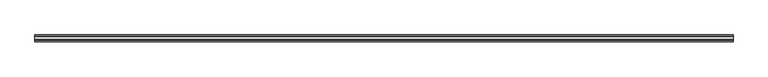
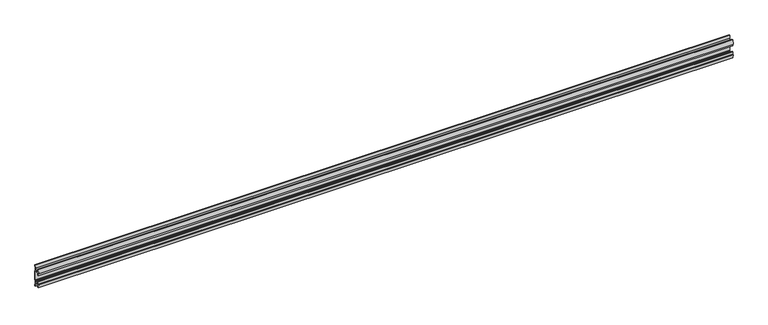
"""IFC4 building model written with IfcOpenShell, lengths in millimetres: furniture geometry."""

from ifc_helpers import new_model, si_unit, point, frame, frame_2d, origin, place, context, project, spatial, polyline, circle_curve, trimmed, segment, composite_curve, outline, extrude, source, transform, mapped, element, save


def furniture_3d561006(model_context):
    return source(origin(), model_context, "Body", "SweptSolid", [
        extrude(outline(composite_curve([segment(polyline([(11.858323, 1787.0845986), (10.7166987, 1781.1251626)]), True, "CONTINUOUS"), segment(trimmed(circle_curve(frame_2d((88.1501042, 1766.291568)), 78.8414093), [point((10.7166987, 1781.1251626))], [point((9.4546262, 1771.0863112))], True, "CARTESIAN"), True, "CONTINUOUS"), segment(polyline([(9.4546262, 1771.0863112), (11.4773198, 1769.0636177), (11.4773198, 1736.1363823), (9.4546262, 1734.1136888)]), True, "CONTINUOUS"), segment(trimmed(circle_curve(frame_2d((88.1501042, 1738.908432)), 78.8414093), [point((9.4546262, 1734.1136888))], [point((10.7166987, 1724.0748374))], True, "CARTESIAN"), True, "CONTINUOUS"), segment(polyline([(10.7166987, 1724.0748374), (11.858323, 1718.1154014), (11.858323, 1714.5006449), (9.3183016, 1714.5006449), (7.5671861, 1723.641709), (6.9977776, 1730.3354675), (-5.9218281, 1730.3354675), (-5.9218281, 1719.7705449), (-8.4618484, 1719.7705449), (-11.7914971, 1733.2790462), (-8.4618484, 1732.2801511), (-8.4618484, 1741.8052306), (-5.9218281, 1741.8052306), (-5.9218281, 1732.915155), (6.7782802, 1732.915155), (6.7782802, 1735.469689), (8.8976323, 1737.3120136), (8.8976323, 1767.8910348), (6.7782802, 1769.7454685), (-5.2868484, 1769.7454685), (-5.2868484, 1763.3954144), (-8.4618484, 1763.3954144), (-8.4618484, 1772.9204939), (-11.858323, 1771.6504837), (-8.4618484, 1785.4301), (-5.2868484, 1785.4301), (-5.2868484, 1772.2854899), (6.7782802, 1772.2854899), (7.5671861, 1781.5595809), (9.3183016, 1790.7006449), (11.858323, 1790.7006449), (11.858323, 1787.0845986)]), True, "CONTINUOUS")], self_intersect=False)), frame((-1193.8, 0.0, 0.0), z_axis=(1.0, 0.0, 0.0), x_axis=(0.0, 1.0, 0.0)), (0.0, 0.0, 1.0), 2387.6),
    ])


if __name__ == "__main__":
    model = new_model("IFC4")
    model_context = context("Model", 3, world=origin())
    ifc_project = project(units=[si_unit("LENGTHUNIT", "METRE", prefix="MILLI")], contexts=[model_context])
    site = spatial("IfcSite", under=ifc_project)
    building = spatial("IfcBuilding", under=site)
    placement = place(None, origin())
    furniture_shape = furniture_3d561006(model_context)
    element("IfcFurniture", 1, at=placement, inside=building, context=model_context, shape_type="MappedRepresentation", body=[
        mapped(furniture_shape, transform((0.0, 0.0, 0.0), x_axis=(1.0, 0.0, 0.0), y_axis=(0.0, 1.0, 0.0), z_axis=(0.0, 0.0, 1.0))),
    ])
    save(model, "model.ifc")
